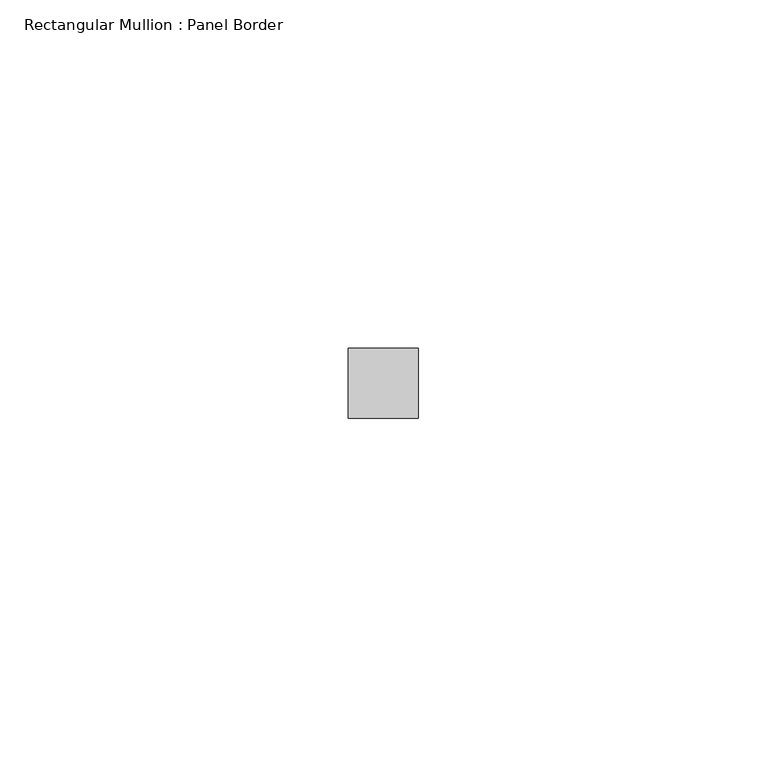
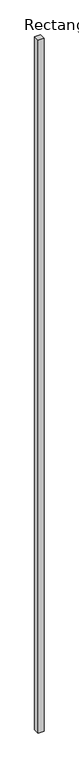
"""IFC4 building model written with IfcOpenShell, lengths in millimetres: member geometry, Rectangular Mullion : Panel Border."""

from ifc_helpers import new_model, si_unit, frame, origin, place, context, project, spatial, polyline, outline, extrude, source, transform, mapped, element, save


def rectangular_mullion_panel_border_3a11cbb5(model_context):
    return source(origin(), model_context, "Body", "SweptSolid", [
        extrude(outline(polyline([(5.0, 5.5), (5.0, -4.5), (-5.0, -4.5), (-5.0, 5.5), (5.0, 5.5)])), frame((0.0, 0.0, -1210.0), z_axis=(0.0, 0.0, 1.0), x_axis=(1.0, 0.0, 0.0)), (0.0, 0.0, 1.0), 1210.0),
    ])


if __name__ == "__main__":
    model = new_model("IFC4")
    model_context = context("Model", 3, world=origin())
    ifc_project = project(units=[si_unit("LENGTHUNIT", "METRE", prefix="MILLI")], contexts=[model_context])
    site = spatial("IfcSite", under=ifc_project)
    building = spatial("IfcBuilding", under=site)
    placement = place(None, origin())
    rectangular_mullion_panel_border_shape = rectangular_mullion_panel_border_3a11cbb5(model_context)
    element("IfcMember", 1, ObjectType="Rectangular Mullion : Panel Border", at=placement, inside=building, context=model_context, shape_type="MappedRepresentation", body=[
        mapped(rectangular_mullion_panel_border_shape, transform((0.0, 0.0, 0.0), x_axis=(1.0, 0.0, 0.0), y_axis=(0.0, 1.0, 0.0), z_axis=(0.0, 0.0, 1.0))),
    ])
    save(model, "model.ifc")
